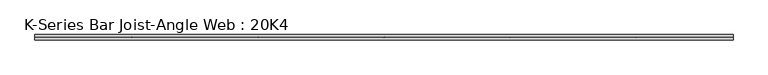
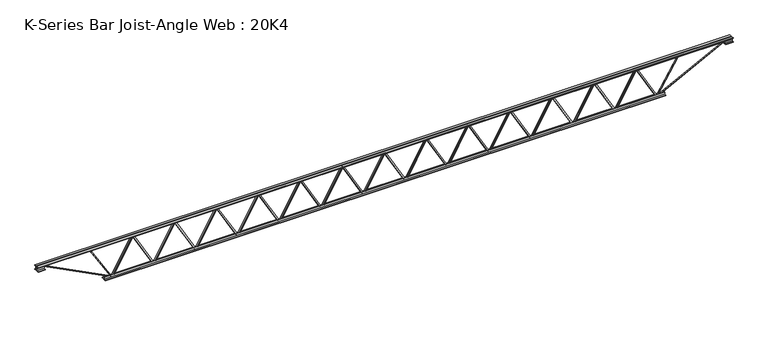
"""IFC4 building model written with IfcOpenShell, lengths in millimetres: beam geometry, K-Series Bar Joist-Angle Web : 20K4."""

from ifc_helpers import new_model, si_unit, frame, origin, place, context, project, spatial, polyline, outline, extrude, faceted_brep, source, transform, mapped, element, save


def k_series_bar_joist_angle_web_20k4_96db7608(model_context):
    return source(origin(), model_context, "Body", "SolidModel", [
        extrude(outline(polyline([(-4.7625, 4.7625), (-4.7625, 0.0), (-17.4625, 0.0), (-17.4625, 4.7625), (-4.7625, 4.7625)])), frame((3106.9102717, 0.0, -215.9), z_axis=(-0.49185034358410357, 0.0, 0.8706797571531104), x_axis=(0.0, -1.0, 0.0)), (0.0, 0.0, 1.0), 495.9343507),
        extrude(outline(polyline([(-250.825, 3138.5485577), (-231.775, 3138.5485577), (-231.775, 3137.7575769), (250.825, 2865.1349807), (250.825, 2846.8759615), (231.775, 2846.8759615), (231.775, 2854.0169423), (-250.825, 3126.6395385), (-250.825, 3138.5485577)])), frame((0.0, 0.0, 0.0), z_axis=(0.0, 1.0, 0.0), x_axis=(0.0, 0.0, 1.0)), (0.0, 0.0, 1.0), 4.7625),
        faceted_brep([(2567.9033654, 0.0, -231.775), (2567.9033654, 0.0, -250.825), (2567.9033654, -4.7625, -250.825), (2567.9033654, -4.7625, -231.775), (2568.6943462, 0.0, -231.775), (2841.3169423, 0.0, 250.825), (2859.5759615, 0.0, 250.825), (2859.5759615, 0.0, 231.775), (2852.4349807, 0.0, 231.775), (2579.8123846, 0.0, -250.825), (2579.8123846, -4.7625, -250.825), (2599.5416514, -4.7625, -215.9), (2595.3950391, -4.7625, -213.5575627), (2839.3205198, -4.7625, 218.2424373), (2843.4671322, -4.7625, 215.9), (2852.4349807, -4.7625, 231.775), (2859.5759615, -4.7625, 231.775), (2859.5759615, -4.7625, 250.825), (2841.3169423, -4.7625, 250.825), (2568.6943462, -4.7625, -231.775), (2843.4671322, -17.4625, 215.9), (2599.5416514, -17.4625, -215.9), (2595.3950391, -17.4625, -213.5575627), (2839.3205198, -17.4625, 218.2424373)], [[[0, 1, 2, 3]], [[1, 0, 4, 5, 6, 7, 8, 9]], [[2, 1, 9, 10]], [[3, 2, 10, 11, 12, 13, 14, 15, 16, 17, 18, 19]], [[0, 3, 19, 4]], [[9, 8, 15, 14, 20, 21, 11, 10]], [[5, 4, 19, 18]], [[7, 6, 17, 16]], [[8, 7, 16, 15]], [[6, 5, 18, 17]], [[21, 22, 12, 11]], [[20, 14, 13, 23]], [[22, 21, 20, 23]], [[12, 22, 23, 13]]]),
        extrude(outline(polyline([(-4.7625, 4.7625), (-4.7625, 0.0), (-17.4625, 0.0), (-17.4625, 4.7625), (-4.7625, 4.7625)])), frame((2536.2650794, 0.0, -215.9), z_axis=(-0.49185034358410357, 0.0, 0.8706797571531104), x_axis=(0.0, -1.0, 0.0)), (0.0, 0.0, 1.0), 495.9343507),
        extrude(outline(polyline([(-250.825, 2567.9033654), (-231.775, 2567.9033654), (-231.775, 2567.1123846), (250.825, 2294.4897884), (250.825, 2276.2307692), (231.775, 2276.2307692), (231.775, 2283.37175), (-250.825, 2555.9943462), (-250.825, 2567.9033654)])), frame((0.0, 0.0, 0.0), z_axis=(0.0, 1.0, 0.0), x_axis=(0.0, 0.0, 1.0)), (0.0, 0.0, 1.0), 4.7625),
        faceted_brep([(1997.2581731, 0.0, -231.775), (1997.2581731, 0.0, -250.825), (1997.2581731, -4.7625, -250.825), (1997.2581731, -4.7625, -231.775), (1998.0491539, 0.0, -231.775), (2270.67175, 0.0, 250.825), (2288.9307692, 0.0, 250.825), (2288.9307692, 0.0, 231.775), (2281.7897884, 0.0, 231.775), (2009.1671923, 0.0, -250.825), (2009.1671923, -4.7625, -250.825), (2028.8964591, -4.7625, -215.9), (2024.7498467, -4.7625, -213.5575627), (2268.6753275, -4.7625, 218.2424373), (2272.8219399, -4.7625, 215.9), (2281.7897884, -4.7625, 231.775), (2288.9307692, -4.7625, 231.775), (2288.9307692, -4.7625, 250.825), (2270.67175, -4.7625, 250.825), (1998.0491539, -4.7625, -231.775), (2272.8219399, -17.4625, 215.9), (2028.8964591, -17.4625, -215.9), (2024.7498467, -17.4625, -213.5575627), (2268.6753275, -17.4625, 218.2424373)], [[[0, 1, 2, 3]], [[1, 0, 4, 5, 6, 7, 8, 9]], [[2, 1, 9, 10]], [[3, 2, 10, 11, 12, 13, 14, 15, 16, 17, 18, 19]], [[0, 3, 19, 4]], [[9, 8, 15, 14, 20, 21, 11, 10]], [[5, 4, 19, 18]], [[7, 6, 17, 16]], [[8, 7, 16, 15]], [[6, 5, 18, 17]], [[21, 22, 12, 11]], [[20, 14, 13, 23]], [[22, 21, 20, 23]], [[12, 22, 23, 13]]]),
        extrude(outline(polyline([(-4.7625, 4.7625), (-4.7625, 0.0), (-17.4625, 0.0), (-17.4625, 4.7625), (-4.7625, 4.7625)])), frame((1965.6198871, 0.0, -215.9), z_axis=(-0.49185034358410357, 0.0, 0.8706797571531104), x_axis=(0.0, -1.0, 0.0)), (0.0, 0.0, 1.0), 495.9343507),
        extrude(outline(polyline([(-250.825, 1997.2581731), (-231.775, 1997.2581731), (-231.775, 1996.4671923), (250.825, 1723.8445961), (250.825, 1705.5855769), (231.775, 1705.5855769), (231.775, 1712.7265577), (-250.825, 1985.3491539), (-250.825, 1997.2581731)])), frame((0.0, 0.0, 0.0), z_axis=(0.0, 1.0, 0.0), x_axis=(0.0, 0.0, 1.0)), (0.0, 0.0, 1.0), 4.7625),
        faceted_brep([(1426.6129808, 0.0, -231.775), (1426.6129808, 0.0, -250.825), (1426.6129808, -4.7625, -250.825), (1426.6129808, -4.7625, -231.775), (1427.4039616, 0.0, -231.775), (1700.0265577, 0.0, 250.825), (1718.2855769, 0.0, 250.825), (1718.2855769, 0.0, 231.775), (1711.1445961, 0.0, 231.775), (1438.522, 0.0, -250.825), (1438.522, -4.7625, -250.825), (1458.2512668, -4.7625, -215.9), (1454.1046544, -4.7625, -213.5575627), (1698.0301352, -4.7625, 218.2424373), (1702.1767476, -4.7625, 215.9), (1711.1445961, -4.7625, 231.775), (1718.2855769, -4.7625, 231.775), (1718.2855769, -4.7625, 250.825), (1700.0265577, -4.7625, 250.825), (1427.4039616, -4.7625, -231.775), (1702.1767476, -17.4625, 215.9), (1458.2512668, -17.4625, -215.9), (1454.1046544, -17.4625, -213.5575627), (1698.0301352, -17.4625, 218.2424373)], [[[0, 1, 2, 3]], [[1, 0, 4, 5, 6, 7, 8, 9]], [[2, 1, 9, 10]], [[3, 2, 10, 11, 12, 13, 14, 15, 16, 17, 18, 19]], [[0, 3, 19, 4]], [[9, 8, 15, 14, 20, 21, 11, 10]], [[5, 4, 19, 18]], [[7, 6, 17, 16]], [[8, 7, 16, 15]], [[6, 5, 18, 17]], [[21, 22, 12, 11]], [[20, 14, 13, 23]], [[22, 21, 20, 23]], [[12, 22, 23, 13]]]),
        extrude(outline(polyline([(-4.7625, 4.7625), (-4.7625, 0.0), (-17.4625, 0.0), (-17.4625, 4.7625), (-4.7625, 4.7625)])), frame((1394.9746948, 0.0, -215.9), z_axis=(-0.49185034358410357, 0.0, 0.8706797571531104), x_axis=(0.0, -1.0, 0.0)), (0.0, 0.0, 1.0), 495.9343507),
        extrude(outline(polyline([(-250.825, 1426.6129808), (-231.775, 1426.6129808), (-231.775, 1425.822), (250.825, 1153.1994038), (250.825, 1134.9403846), (231.775, 1134.9403846), (231.775, 1142.0813654), (-250.825, 1414.7039616), (-250.825, 1426.6129808)])), frame((0.0, 0.0, 0.0), z_axis=(0.0, 1.0, 0.0), x_axis=(0.0, 0.0, 1.0)), (0.0, 0.0, 1.0), 4.7625),
        faceted_brep([(855.9677885, 0.0, -231.775), (855.9677885, 0.0, -250.825), (855.9677885, -4.7625, -250.825), (855.9677885, -4.7625, -231.775), (856.7587693, 0.0, -231.775), (1129.3813654, 0.0, 250.825), (1147.6403846, 0.0, 250.825), (1147.6403846, 0.0, 231.775), (1140.4994038, 0.0, 231.775), (867.8768077, 0.0, -250.825), (867.8768077, -4.7625, -250.825), (887.6060745, -4.7625, -215.9), (883.4594621, -4.7625, -213.5575627), (1127.3849429, -4.7625, 218.2424373), (1131.5315552, -4.7625, 215.9), (1140.4994038, -4.7625, 231.775), (1147.6403846, -4.7625, 231.775), (1147.6403846, -4.7625, 250.825), (1129.3813654, -4.7625, 250.825), (856.7587693, -4.7625, -231.775), (1131.5315552, -17.4625, 215.9), (887.6060745, -17.4625, -215.9), (883.4594621, -17.4625, -213.5575627), (1127.3849429, -17.4625, 218.2424373)], [[[0, 1, 2, 3]], [[1, 0, 4, 5, 6, 7, 8, 9]], [[2, 1, 9, 10]], [[3, 2, 10, 11, 12, 13, 14, 15, 16, 17, 18, 19]], [[0, 3, 19, 4]], [[9, 8, 15, 14, 20, 21, 11, 10]], [[5, 4, 19, 18]], [[7, 6, 17, 16]], [[8, 7, 16, 15]], [[6, 5, 18, 17]], [[21, 22, 12, 11]], [[20, 14, 13, 23]], [[22, 21, 20, 23]], [[12, 22, 23, 13]]]),
        extrude(outline(polyline([(-4.7625, 4.7625001), (-4.7625, 0.0), (-17.4625, 0.0), (-17.4625, 4.7625001), (-4.7625, 4.7625001)])), frame((824.3295024, 0.0, -215.9), z_axis=(-0.49185034358410357, 0.0, 0.8706797571531104), x_axis=(0.0, -1.0, 0.0)), (0.0, 0.0, 1.0), 495.9343507),
        extrude(outline(polyline([(-250.825, 855.9677885), (-231.775, 855.9677885), (-231.775, 855.1768077), (250.825, 582.5542115), (250.825, 564.2951923), (231.775, 564.2951923), (231.775, 571.4361731), (-250.825, 844.0587693), (-250.825, 855.9677885)])), frame((0.0, 0.0, 0.0), z_axis=(0.0, 1.0, 0.0), x_axis=(0.0, 0.0, 1.0)), (0.0, 0.0, 1.0), 4.7625),
        faceted_brep([(285.3225962, 0.0, -231.775), (285.3225962, 0.0, -250.825), (285.3225962, -4.7625, -250.825), (285.3225962, -4.7625, -231.775), (286.113577, 0.0, -231.775), (558.7361731, 0.0, 250.825), (576.9951923, 0.0, 250.825), (576.9951923, 0.0, 231.775), (569.8542115, 0.0, 231.775), (297.2316153, 0.0, -250.825), (297.2316153, -4.7625, -250.825), (316.9608822, -4.7625, -215.9), (312.8142698, -4.7625, -213.5575627), (556.7397506, -4.7625, 218.2424373), (560.8863629, -4.7625, 215.9), (569.8542115, -4.7625, 231.775), (576.9951923, -4.7625, 231.775), (576.9951923, -4.7625, 250.825), (558.7361731, -4.7625, 250.825), (286.113577, -4.7625, -231.775), (560.8863629, -17.4625, 215.9), (316.9608822, -17.4625, -215.9), (312.8142698, -17.4625, -213.5575627), (556.7397506, -17.4625, 218.2424373)], [[[0, 1, 2, 3]], [[1, 0, 4, 5, 6, 7, 8, 9]], [[2, 1, 9, 10]], [[3, 2, 10, 11, 12, 13, 14, 15, 16, 17, 18, 19]], [[0, 3, 19, 4]], [[9, 8, 15, 14, 20, 21, 11, 10]], [[5, 4, 19, 18]], [[7, 6, 17, 16]], [[8, 7, 16, 15]], [[6, 5, 18, 17]], [[21, 22, 12, 11]], [[20, 14, 13, 23]], [[22, 21, 20, 23]], [[12, 22, 23, 13]]]),
        extrude(outline(polyline([(-4.7625, 4.7625001), (-4.7625, 0.0), (-17.4625, 0.0), (-17.4625, 4.7625001), (-4.7625, 4.7625001)])), frame((253.6843101, 0.0, -215.9), z_axis=(-0.49185034358410357, 0.0, 0.8706797571531104), x_axis=(0.0, -1.0, 0.0)), (0.0, 0.0, 1.0), 495.9343507),
        extrude(outline(polyline([(-250.825, 285.3225962), (-231.775, 285.3225962), (-231.775, 284.5316153), (250.825, 11.9090192), (250.825, -6.35), (231.775, -6.35), (231.775, 0.7909808), (-250.825, 273.413577), (-250.825, 285.3225962)])), frame((0.0, 0.0, 0.0), z_axis=(0.0, 1.0, 0.0), x_axis=(0.0, 0.0, 1.0)), (0.0, 0.0, 1.0), 4.7625),
        faceted_brep([(-285.3225962, 0.0, -231.775), (-285.3225962, 0.0, -250.825), (-285.3225962, -4.7625, -250.825), (-285.3225962, -4.7625, -231.775), (-284.5316153, 0.0, -231.775), (-11.9090192, 0.0, 250.825), (6.35, 0.0, 250.825), (6.35, 0.0, 231.775), (-0.7909808, 0.0, 231.775), (-273.413577, 0.0, -250.825), (-273.413577, -4.7625, -250.825), (-253.6843101, -4.7625, -215.9), (-257.8309225, -4.7625, -213.5575627), (-13.9054417, -4.7625, 218.2424373), (-9.7588294, -4.7625, 215.9), (-0.7909808, -4.7625, 231.775), (6.35, -4.7625, 231.775), (6.35, -4.7625, 250.825), (-11.9090192, -4.7625, 250.825), (-284.5316153, -4.7625, -231.775), (-9.7588294, -17.4625, 215.9), (-253.6843101, -17.4625, -215.9), (-257.8309225, -17.4625, -213.5575627), (-13.9054417, -17.4625, 218.2424373)], [[[0, 1, 2, 3]], [[1, 0, 4, 5, 6, 7, 8, 9]], [[2, 1, 9, 10]], [[3, 2, 10, 11, 12, 13, 14, 15, 16, 17, 18, 19]], [[0, 3, 19, 4]], [[9, 8, 15, 14, 20, 21, 11, 10]], [[5, 4, 19, 18]], [[7, 6, 17, 16]], [[8, 7, 16, 15]], [[6, 5, 18, 17]], [[21, 22, 12, 11]], [[20, 14, 13, 23]], [[22, 21, 20, 23]], [[12, 22, 23, 13]]]),
        extrude(outline(polyline([(-4.7625, 4.7625001), (-4.7625, 0.0), (-17.4625, 0.0), (-17.4625, 4.7625001), (-4.7625, 4.7625001)])), frame((-316.9608822, 0.0, -215.9), z_axis=(-0.49185034358410357, 0.0, 0.8706797571531104), x_axis=(0.0, -1.0, 0.0)), (0.0, 0.0, 1.0), 495.9343507),
        extrude(outline(polyline([(-250.825, -285.3225962), (-231.775, -285.3225962), (-231.775, -286.113577), (250.825, -558.7361731), (250.825, -576.9951923), (231.775, -576.9951923), (231.775, -569.8542115), (-250.825, -297.2316153), (-250.825, -285.3225962)])), frame((0.0, 0.0, 0.0), z_axis=(0.0, 1.0, 0.0), x_axis=(0.0, 0.0, 1.0)), (0.0, 0.0, 1.0), 4.7625),
        faceted_brep([(-855.9677885, 0.0, -231.775), (-855.9677885, 0.0, -250.825), (-855.9677885, -4.7625, -250.825), (-855.9677885, -4.7625, -231.775), (-855.1768077, 0.0, -231.775), (-582.5542115, 0.0, 250.825), (-564.2951923, 0.0, 250.825), (-564.2951923, 0.0, 231.775), (-571.4361731, 0.0, 231.775), (-844.0587693, 0.0, -250.825), (-844.0587693, -4.7625, -250.825), (-824.3295024, -4.7625, -215.9), (-828.4761148, -4.7625, -213.5575627), (-584.550634, -4.7625, 218.2424373), (-580.4040217, -4.7625, 215.9), (-571.4361731, -4.7625, 231.775), (-564.2951923, -4.7625, 231.775), (-564.2951923, -4.7625, 250.825), (-582.5542115, -4.7625, 250.825), (-855.1768077, -4.7625, -231.775), (-580.4040217, -17.4625, 215.9), (-824.3295024, -17.4625, -215.9), (-828.4761148, -17.4625, -213.5575627), (-584.550634, -17.4625, 218.2424373)], [[[0, 1, 2, 3]], [[1, 0, 4, 5, 6, 7, 8, 9]], [[2, 1, 9, 10]], [[3, 2, 10, 11, 12, 13, 14, 15, 16, 17, 18, 19]], [[0, 3, 19, 4]], [[9, 8, 15, 14, 20, 21, 11, 10]], [[5, 4, 19, 18]], [[7, 6, 17, 16]], [[8, 7, 16, 15]], [[6, 5, 18, 17]], [[21, 22, 12, 11]], [[20, 14, 13, 23]], [[22, 21, 20, 23]], [[12, 22, 23, 13]]]),
        extrude(outline(polyline([(-4.7625, 4.7625001), (-4.7625, 0.0), (-17.4625, 0.0), (-17.4625, 4.7625001), (-4.7625, 4.7625001)])), frame((-887.6060745, 0.0, -215.9), z_axis=(-0.49185034358410357, 0.0, 0.8706797571531104), x_axis=(0.0, -1.0, 0.0)), (0.0, 0.0, 1.0), 495.9343507),
        extrude(outline(polyline([(-250.825, -855.9677885), (-231.775, -855.9677885), (-231.775, -856.7587693), (250.825, -1129.3813654), (250.825, -1147.6403846), (231.775, -1147.6403846), (231.775, -1140.4994038), (-250.825, -867.8768077), (-250.825, -855.9677885)])), frame((0.0, 0.0, 0.0), z_axis=(0.0, 1.0, 0.0), x_axis=(0.0, 0.0, 1.0)), (0.0, 0.0, 1.0), 4.7625),
        faceted_brep([(-1426.6129808, 0.0, -231.775), (-1426.6129808, 0.0, -250.825), (-1426.6129808, -4.7625, -250.825), (-1426.6129808, -4.7625, -231.775), (-1425.822, 0.0, -231.775), (-1153.1994038, 0.0, 250.825), (-1134.9403846, 0.0, 250.825), (-1134.9403846, 0.0, 231.775), (-1142.0813654, 0.0, 231.775), (-1414.7039616, 0.0, -250.825), (-1414.7039616, -4.7625, -250.825), (-1394.9746948, -4.7625, -215.9), (-1399.1213071, -4.7625, -213.5575627), (-1155.1958263, -4.7625, 218.2424373), (-1151.049214, -4.7625, 215.9), (-1142.0813654, -4.7625, 231.775), (-1134.9403846, -4.7625, 231.775), (-1134.9403846, -4.7625, 250.825), (-1153.1994038, -4.7625, 250.825), (-1425.822, -4.7625, -231.775), (-1151.049214, -17.4625, 215.9), (-1394.9746948, -17.4625, -215.9), (-1399.1213071, -17.4625, -213.5575627), (-1155.1958263, -17.4625, 218.2424373)], [[[0, 1, 2, 3]], [[1, 0, 4, 5, 6, 7, 8, 9]], [[2, 1, 9, 10]], [[3, 2, 10, 11, 12, 13, 14, 15, 16, 17, 18, 19]], [[0, 3, 19, 4]], [[9, 8, 15, 14, 20, 21, 11, 10]], [[5, 4, 19, 18]], [[7, 6, 17, 16]], [[8, 7, 16, 15]], [[6, 5, 18, 17]], [[21, 22, 12, 11]], [[20, 14, 13, 23]], [[22, 21, 20, 23]], [[12, 22, 23, 13]]]),
        extrude(outline(polyline([(-4.7625, 4.7625001), (-4.7625, 0.0), (-17.4625, 0.0), (-17.4625, 4.7625001), (-4.7625, 4.7625001)])), frame((-1458.2512668, 0.0, -215.9), z_axis=(-0.49185034358410357, 0.0, 0.8706797571531104), x_axis=(0.0, -1.0, 0.0)), (0.0, 0.0, 1.0), 495.9343507),
        extrude(outline(polyline([(-250.825, -1426.6129808), (-231.775, -1426.6129808), (-231.775, -1427.4039616), (250.825, -1700.0265577), (250.825, -1718.2855769), (231.775, -1718.2855769), (231.775, -1711.1445961), (-250.825, -1438.522), (-250.825, -1426.6129808)])), frame((0.0, 0.0, 0.0), z_axis=(0.0, 1.0, 0.0), x_axis=(0.0, 0.0, 1.0)), (0.0, 0.0, 1.0), 4.7625),
        faceted_brep([(-1997.2581731, 0.0, -231.775), (-1997.2581731, 0.0, -250.825), (-1997.2581731, -4.7625, -250.825), (-1997.2581731, -4.7625, -231.775), (-1996.4671923, 0.0, -231.775), (-1723.8445961, 0.0, 250.825), (-1705.5855769, 0.0, 250.825), (-1705.5855769, 0.0, 231.775), (-1712.7265577, 0.0, 231.775), (-1985.3491539, 0.0, -250.825), (-1985.3491539, -4.7625, -250.825), (-1965.6198871, -4.7625, -215.9), (-1969.7664994, -4.7625, -213.5575627), (-1725.8410186, -4.7625, 218.2424373), (-1721.6944063, -4.7625, 215.9), (-1712.7265577, -4.7625, 231.775), (-1705.5855769, -4.7625, 231.775), (-1705.5855769, -4.7625, 250.825), (-1723.8445961, -4.7625, 250.825), (-1996.4671923, -4.7625, -231.775), (-1721.6944063, -17.4625, 215.9), (-1965.6198871, -17.4625, -215.9), (-1969.7664994, -17.4625, -213.5575627), (-1725.8410186, -17.4625, 218.2424373)], [[[0, 1, 2, 3]], [[1, 0, 4, 5, 6, 7, 8, 9]], [[2, 1, 9, 10]], [[3, 2, 10, 11, 12, 13, 14, 15, 16, 17, 18, 19]], [[0, 3, 19, 4]], [[9, 8, 15, 14, 20, 21, 11, 10]], [[5, 4, 19, 18]], [[7, 6, 17, 16]], [[8, 7, 16, 15]], [[6, 5, 18, 17]], [[21, 22, 12, 11]], [[20, 14, 13, 23]], [[22, 21, 20, 23]], [[12, 22, 23, 13]]]),
        extrude(outline(polyline([(-4.7625, 4.7625001), (-4.7625, 0.0), (-17.4625, 0.0), (-17.4625, 4.7625001), (-4.7625, 4.7625001)])), frame((-2028.8964591, 0.0, -215.9), z_axis=(-0.49185034358410357, 0.0, 0.8706797571531104), x_axis=(0.0, -1.0, 0.0)), (0.0, 0.0, 1.0), 495.9343507),
        extrude(outline(polyline([(-250.825, -1997.2581731), (-231.775, -1997.2581731), (-231.775, -1998.0491539), (250.825, -2270.67175), (250.825, -2288.9307692), (231.775, -2288.9307692), (231.775, -2281.7897884), (-250.825, -2009.1671923), (-250.825, -1997.2581731)])), frame((0.0, 0.0, 0.0), z_axis=(0.0, 1.0, 0.0), x_axis=(0.0, 0.0, 1.0)), (0.0, 0.0, 1.0), 4.7625),
        faceted_brep([(-2567.9033654, 0.0, -231.775), (-2567.9033654, 0.0, -250.825), (-2567.9033654, -4.7625, -250.825), (-2567.9033654, -4.7625, -231.775), (-2567.1123846, 0.0, -231.775), (-2294.4897884, 0.0, 250.825), (-2276.2307692, 0.0, 250.825), (-2276.2307692, 0.0, 231.775), (-2283.37175, 0.0, 231.775), (-2555.9943462, 0.0, -250.825), (-2555.9943462, -4.7625, -250.825), (-2536.2650794, -4.7625, -215.9), (-2540.4116917, -4.7625, -213.5575627), (-2296.4862109, -4.7625, 218.2424373), (-2292.3395986, -4.7625, 215.9), (-2283.37175, -4.7625, 231.775), (-2276.2307692, -4.7625, 231.775), (-2276.2307692, -4.7625, 250.825), (-2294.4897884, -4.7625, 250.825), (-2567.1123846, -4.7625, -231.775), (-2292.3395986, -17.4625, 215.9), (-2536.2650794, -17.4625, -215.9), (-2540.4116917, -17.4625, -213.5575627), (-2296.4862109, -17.4625, 218.2424373)], [[[0, 1, 2, 3]], [[1, 0, 4, 5, 6, 7, 8, 9]], [[2, 1, 9, 10]], [[3, 2, 10, 11, 12, 13, 14, 15, 16, 17, 18, 19]], [[0, 3, 19, 4]], [[9, 8, 15, 14, 20, 21, 11, 10]], [[5, 4, 19, 18]], [[7, 6, 17, 16]], [[8, 7, 16, 15]], [[6, 5, 18, 17]], [[21, 22, 12, 11]], [[20, 14, 13, 23]], [[22, 21, 20, 23]], [[12, 22, 23, 13]]]),
        extrude(outline(polyline([(-4.7625, 4.7625), (-4.7625, 0.0), (-17.4625, 0.0), (-17.4625, 4.7625), (-4.7625, 4.7625)])), frame((-2599.5416514, 0.0, -215.9), z_axis=(-0.49185034358410357, 0.0, 0.8706797571531104), x_axis=(0.0, -1.0, 0.0)), (0.0, 0.0, 1.0), 495.9343507),
        extrude(outline(polyline([(-250.825, -2567.9033654), (-231.775, -2567.9033654), (-231.775, -2568.6943462), (250.825, -2841.3169423), (250.825, -2859.5759615), (231.775, -2859.5759615), (231.775, -2852.4349807), (-250.825, -2579.8123846), (-250.825, -2567.9033654)])), frame((0.0, 0.0, 0.0), z_axis=(0.0, 1.0, 0.0), x_axis=(0.0, 0.0, 1.0)), (0.0, 0.0, 1.0), 4.7625),
        faceted_brep([(-3138.5485577, 0.0, -231.775), (-3138.5485577, 0.0, -250.825), (-3138.5485577, -4.7625, -250.825), (-3138.5485577, -4.7625, -231.775), (-3137.7575769, 0.0, -231.775), (-2865.1349807, 0.0, 250.825), (-2846.8759615, 0.0, 250.825), (-2846.8759615, 0.0, 231.775), (-2854.0169423, 0.0, 231.775), (-3126.6395385, 0.0, -250.825), (-3126.6395385, -4.7625, -250.825), (-3106.9102717, -4.7625, -215.9), (-3111.056884, -4.7625, -213.5575627), (-2867.1314033, -4.7625, 218.2424373), (-2862.9847909, -4.7625, 215.9), (-2854.0169423, -4.7625, 231.775), (-2846.8759615, -4.7625, 231.775), (-2846.8759615, -4.7625, 250.825), (-2865.1349807, -4.7625, 250.825), (-3137.7575769, -4.7625, -231.775), (-2862.9847909, -17.4625, 215.9), (-3106.9102717, -17.4625, -215.9), (-3111.056884, -17.4625, -213.5575627), (-2867.1314033, -17.4625, 218.2424373)], [[[0, 1, 2, 3]], [[1, 0, 4, 5, 6, 7, 8, 9]], [[2, 1, 9, 10]], [[3, 2, 10, 11, 12, 13, 14, 15, 16, 17, 18, 19]], [[0, 3, 19, 4]], [[9, 8, 15, 14, 20, 21, 11, 10]], [[5, 4, 19, 18]], [[7, 6, 17, 16]], [[8, 7, 16, 15]], [[6, 5, 18, 17]], [[21, 22, 12, 11]], [[20, 14, 13, 23]], [[22, 21, 20, 23]], [[12, 22, 23, 13]]]),
        extrude(outline(polyline([(-4.7625, 4.7625), (-4.7625, 0.0), (-17.4625, 0.0), (-17.4625, 4.7625), (-4.7625, 4.7625)])), frame((3677.555464, 0.0, -215.9), z_axis=(-0.49185034358410357, 0.0, 0.8706797571531104), x_axis=(0.0, -1.0, 0.0)), (0.0, 0.0, 1.0), 495.9343507),
        extrude(outline(polyline([(-250.825, 3709.19375), (-231.775, 3709.19375), (-231.775, 3708.4027692), (250.825, 3435.780173), (250.825, 3417.5211538), (231.775, 3417.5211538), (231.775, 3424.6621347), (-250.825, 3697.2847308), (-250.825, 3709.19375)])), frame((0.0, 0.0, 0.0), z_axis=(0.0, 1.0, 0.0), x_axis=(0.0, 0.0, 1.0)), (0.0, 0.0, 1.0), 4.7625),
        faceted_brep([(3138.5485577, 0.0, -231.775), (3138.5485577, 0.0, -250.825), (3138.5485577, -4.7625, -250.825), (3138.5485577, -4.7625, -231.775), (3139.3395385, 0.0, -231.775), (3411.9621347, 0.0, 250.825), (3430.2211538, 0.0, 250.825), (3430.2211538, 0.0, 231.775), (3423.080173, 0.0, 231.775), (3150.4575769, 0.0, -250.825), (3150.4575769, -4.7625, -250.825), (3170.1868437, -4.7625, -215.9), (3166.0402314, -4.7625, -213.5575627), (3409.9657121, -4.7625, 218.2424373), (3414.1123245, -4.7625, 215.9), (3423.080173, -4.7625, 231.775), (3430.2211538, -4.7625, 231.775), (3430.2211538, -4.7625, 250.825), (3411.9621347, -4.7625, 250.825), (3139.3395385, -4.7625, -231.775), (3414.1123245, -17.4625, 215.9), (3170.1868437, -17.4625, -215.9), (3166.0402314, -17.4625, -213.5575627), (3409.9657121, -17.4625, 218.2424373)], [[[0, 1, 2, 3]], [[1, 0, 4, 5, 6, 7, 8, 9]], [[2, 1, 9, 10]], [[3, 2, 10, 11, 12, 13, 14, 15, 16, 17, 18, 19]], [[0, 3, 19, 4]], [[9, 8, 15, 14, 20, 21, 11, 10]], [[5, 4, 19, 18]], [[7, 6, 17, 16]], [[8, 7, 16, 15]], [[6, 5, 18, 17]], [[21, 22, 12, 11]], [[20, 14, 13, 23]], [[22, 21, 20, 23]], [[12, 22, 23, 13]]]),
        extrude(outline(polyline([(-4.7625, 4.7625), (-4.7625, 0.0), (-17.4625, 0.0), (-17.4625, 4.7625), (-4.7625, 4.7625)])), frame((-3170.1868437, 0.0, -215.9), z_axis=(-0.49185034358410357, 0.0, 0.8706797571531104), x_axis=(0.0, -1.0, 0.0)), (0.0, 0.0, 1.0), 495.9343507),
        extrude(outline(polyline([(-250.825, -3138.5485577), (-231.775, -3138.5485577), (-231.775, -3139.3395385), (250.825, -3411.9621347), (250.825, -3430.2211538), (231.775, -3430.2211538), (231.775, -3423.080173), (-250.825, -3150.4575769), (-250.825, -3138.5485577)])), frame((0.0, 0.0, 0.0), z_axis=(0.0, 1.0, 0.0), x_axis=(0.0, 0.0, 1.0)), (0.0, 0.0, 1.0), 4.7625),
        faceted_brep([(-3709.19375, 0.0, -231.775), (-3709.19375, 0.0, -250.825), (-3709.19375, -4.7625, -250.825), (-3709.19375, -4.7625, -231.775), (-3708.4027692, 0.0, -231.775), (-3435.780173, 0.0, 250.825), (-3417.5211538, 0.0, 250.825), (-3417.5211538, 0.0, 231.775), (-3424.6621347, 0.0, 231.775), (-3697.2847308, 0.0, -250.825), (-3697.2847308, -4.7625, -250.825), (-3677.555464, -4.7625, -215.9), (-3681.7020763, -4.7625, -213.5575627), (-3437.7765956, -4.7625, 218.2424373), (-3433.6299832, -4.7625, 215.9), (-3424.6621347, -4.7625, 231.775), (-3417.5211538, -4.7625, 231.775), (-3417.5211538, -4.7625, 250.825), (-3435.780173, -4.7625, 250.825), (-3708.4027692, -4.7625, -231.775), (-3433.6299832, -17.4625, 215.9), (-3677.555464, -17.4625, -215.9), (-3681.7020763, -17.4625, -213.5575627), (-3437.7765956, -17.4625, 218.2424373)], [[[0, 1, 2, 3]], [[1, 0, 4, 5, 6, 7, 8, 9]], [[2, 1, 9, 10]], [[3, 2, 10, 11, 12, 13, 14, 15, 16, 17, 18, 19]], [[0, 3, 19, 4]], [[9, 8, 15, 14, 20, 21, 11, 10]], [[5, 4, 19, 18]], [[7, 6, 17, 16]], [[8, 7, 16, 15]], [[6, 5, 18, 17]], [[21, 22, 12, 11]], [[20, 14, 13, 23]], [[22, 21, 20, 23]], [[12, 22, 23, 13]]]),
        extrude(outline(polyline([(4.7625, 254.0), (36.5125, 254.0), (36.5125, 247.65), (11.1125, 247.65), (11.1125, 222.25), (4.7625, 222.25), (4.7625, 254.0)])), frame((-4725.19375, 0.0, 0.0), z_axis=(1.0, 0.0, 0.0), x_axis=(0.0, 1.0, 0.0)), (0.0, 0.0, 1.0), 9450.3875),
        extrude(outline(polyline([(-4.7625, 254.0), (-4.7625, 222.25), (-11.1125, 222.25), (-11.1125, 247.65), (-36.5125, 247.65), (-36.5125, 254.0), (-4.7625, 254.0)])), frame((-4725.19375, 0.0, 0.0), z_axis=(1.0, 0.0, 0.0), x_axis=(0.0, 1.0, 0.0)), (0.0, 0.0, 1.0), 9450.3875),
        extrude(outline(polyline([(-4.7625, 190.5), (-36.5125, 190.5), (-36.5125, 196.85), (-11.1125, 196.85), (-11.1125, 222.25), (-4.7625, 222.25), (-4.7625, 190.5)])), frame((-4725.19375, 0.0, 0.0), z_axis=(1.0, 0.0, 0.0), x_axis=(0.0, 1.0, 0.0)), (0.0, 0.0, 1.0), 101.6),
        extrude(outline(polyline([(36.5125, 190.5), (4.7625, 190.5), (4.7625, 222.25), (11.1125, 222.25), (11.1125, 196.85), (36.5125, 196.85), (36.5125, 190.5)])), frame((-4725.19375, 0.0, 0.0), z_axis=(1.0, 0.0, 0.0), x_axis=(0.0, 1.0, 0.0)), (0.0, 0.0, 1.0), 101.6),
        extrude(outline(polyline([(4.7625, 190.5), (4.7625, 222.25), (11.1125, 222.25), (11.1125, 196.85), (36.5125, 196.85), (36.5125, 190.5), (4.7625, 190.5)])), frame((4623.59375, 0.0, 0.0), z_axis=(1.0, 0.0, 0.0), x_axis=(0.0, 1.0, 0.0)), (0.0, 0.0, 1.0), 101.6),
        extrude(outline(polyline([(-4.7625, 190.5), (-36.5125, 190.5), (-36.5125, 196.85), (-11.1125, 196.85), (-11.1125, 222.25), (-4.7625, 222.25), (-4.7625, 190.5)])), frame((4623.59375, 0.0, 0.0), z_axis=(1.0, 0.0, 0.0), x_axis=(0.0, 1.0, 0.0)), (0.0, 0.0, 1.0), 101.6),
        extrude(outline(polyline([(4.7625, -254.0), (4.7625, -222.25), (11.1125, -222.25), (11.1125, -247.65), (36.5125, -247.65), (36.5125, -254.0), (4.7625, -254.0)])), frame((-3810.79375, 0.0, 0.0), z_axis=(1.0, 0.0, 0.0), x_axis=(0.0, 1.0, 0.0)), (0.0, 0.0, 1.0), 7621.5875),
        extrude(outline(polyline([(-4.7625, -254.0), (-36.5125, -254.0), (-36.5125, -247.65), (-11.1125, -247.65), (-11.1125, -222.25), (-4.7625, -222.25), (-4.7625, -254.0)])), frame((-3810.79375, 0.0, 0.0), z_axis=(1.0, 0.0, 0.0), x_axis=(0.0, 1.0, 0.0)), (0.0, 0.0, 1.0), 7621.5875),
        extrude(outline(polyline([(4.7625, 4.7625), (4.7625, -4.7625), (-4.7625, -4.7625), (-4.7625, 4.7625), (4.7625, 4.7625)])), frame((3709.19375, 0.0, -247.65), z_axis=(0.519012913200726, 0.0, 0.8547663984568509), x_axis=(0.0, -1.0, 0.0)), (0.0, 0.0, 1.0), 549.7408425),
        extrude(outline(polyline([(4.7625, 4.7625), (4.7625, -4.7625), (-4.7625, -4.7625), (-4.7625, 4.7625), (4.7625, 4.7625)])), frame((-3709.19375, 0.0, -247.65), z_axis=(-0.5190129132007022, 0.0, 0.8547663984568652), x_axis=(0.0, -1.0, 0.0)), (0.0, 0.0, 1.0), 549.7408425),
        extrude(outline(polyline([(0.0, -9.525), (0.0, 0.0), (1028.0726482, 0.0), (1028.0726482, -9.525), (0.0, -9.525)])), frame((4625.7705405, -4.7625, 218.0140834), z_axis=(-0.45706886650204254, 0.0, 0.8894313077885994), x_axis=(-0.8894313077885994, 0.0, -0.45706886650204254)), (0.0, 0.0, 1.0), 9.525),
        extrude(outline(polyline([(0.0, -9.525), (0.0, 0.0), (1028.0726482, 0.0), (1028.0726482, -9.525), (0.0, -9.525)])), frame((-4625.7705405, 4.7625, 218.0140834), z_axis=(0.45706886650204165, 0.0, 0.8894313077885998), x_axis=(0.8894313077885998, 0.0, -0.45706886650204165)), (0.0, 0.0, 1.0), 9.525),
    ])


if __name__ == "__main__":
    model = new_model("IFC4")
    model_context = context("Model", 3, world=origin())
    ifc_project = project(units=[si_unit("LENGTHUNIT", "METRE", prefix="MILLI")], contexts=[model_context])
    site = spatial("IfcSite", under=ifc_project)
    building = spatial("IfcBuilding", under=site)
    placement = place(None, origin())
    k_series_bar_joist_angle_web_20k4_shape = k_series_bar_joist_angle_web_20k4_96db7608(model_context)
    element("IfcBeam", 1, ObjectType="K-Series Bar Joist-Angle Web : 20K4", at=placement, inside=building, context=model_context, shape_type="MappedRepresentation", body=[
        mapped(k_series_bar_joist_angle_web_20k4_shape, transform((0.0, 0.0, 0.0), x_axis=(1.0, 0.0, 0.0), y_axis=(0.0, 1.0, 0.0), z_axis=(0.0, 0.0, 1.0))),
    ])
    save(model, "model.ifc")
